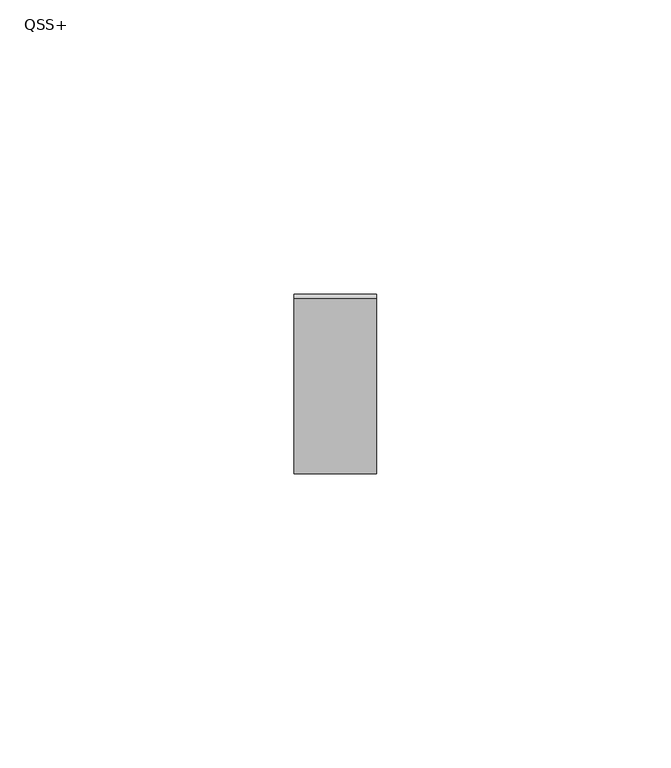
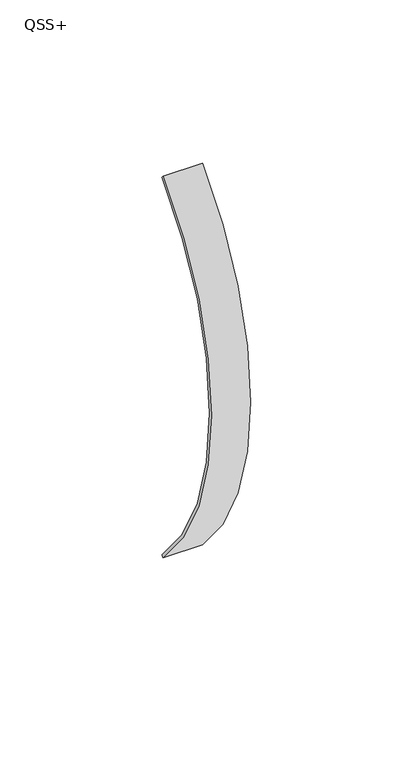
"""IFC4 building model written with IfcOpenShell, lengths in millimetres: proxy geometry, QSS+."""

from ifc_helpers import new_model, si_unit, point, frame, origin, origin_2d, place, context, project, spatial, polyline, circle_curve, trimmed, segment, composite_curve, outline, extrude, source, transform, mapped, element, save


def qss_84471d74(model_context):
    return source(origin(), model_context, "Body", "SweptSolid", [
        extrude(outline(composite_curve([segment(trimmed(circle_curve(origin_2d(), 101.5), [point((-71.7713383, -71.7713383))], [point((-71.7713383, 71.7713383))], False, "CARTESIAN"), True, "CONTINUOUS"), segment(polyline([(-71.7713383, 71.7713383), (-71.0642315, 71.0642315)]), True, "CONTINUOUS"), segment(trimmed(circle_curve(origin_2d(), 100.5), [point((-71.0642315, 71.0642315))], [point((-71.0642315, -71.0642315))], True, "CARTESIAN"), True, "CONTINUOUS"), segment(polyline([(-71.0642315, -71.0642315), (-71.7713383, -71.7713383)]), True, "CONTINUOUS")], self_intersect=False)), frame((-7.0, 0.0, 0.0), z_axis=(1.0, 0.0, 0.0), x_axis=(0.0, 1.0, 0.0)), (0.0, 0.0, 1.0), 14.0),
    ])


if __name__ == "__main__":
    model = new_model("IFC4")
    model_context = context("Model", 3, world=origin())
    ifc_project = project(units=[si_unit("LENGTHUNIT", "METRE", prefix="MILLI")], contexts=[model_context])
    site = spatial("IfcSite", under=ifc_project)
    building = spatial("IfcBuilding", under=site)
    placement = place(None, origin())
    qss_shape = qss_84471d74(model_context)
    element("IfcBuildingElementProxy", 1, Name="QSS+", ObjectType="QSS+", at=placement, inside=building, context=model_context, shape_type="MappedRepresentation", body=[
        mapped(qss_shape, transform((0.0, 0.0, 0.0), x_axis=(1.0, 0.0, 0.0), y_axis=(0.0, 1.0, 0.0), z_axis=(0.0, 0.0, 1.0))),
    ])
    save(model, "model.ifc")
